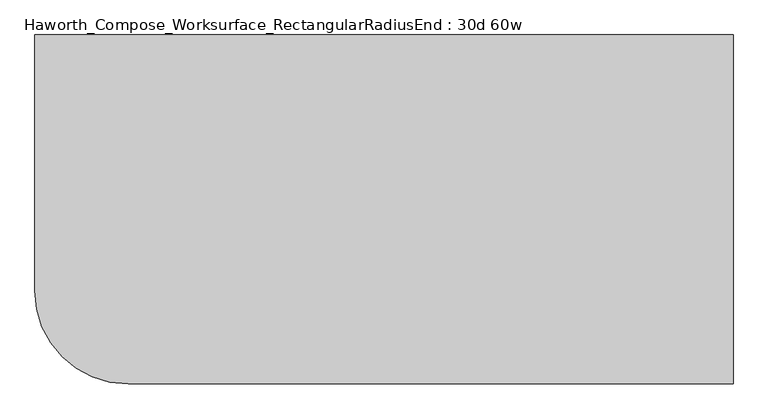
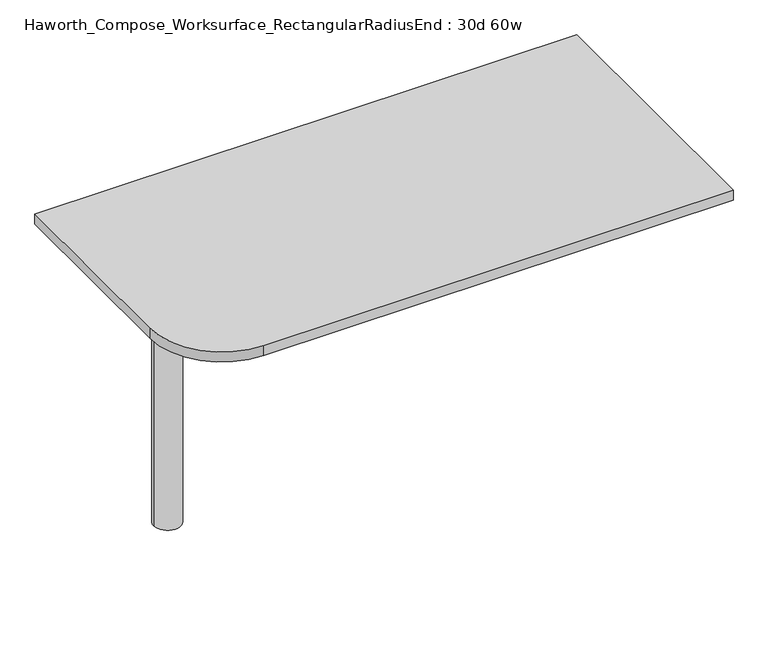
"""IFC4 building model written with IfcOpenShell, lengths in millimetres: furniture geometry, Haworth_Compose_Worksurface_RectangularRadiusEnd : 30d 60w."""

from ifc_helpers import new_model, si_unit, point, frame, frame_2d, origin, place, context, project, spatial, polyline, circle_curve, trimmed, segment, composite_curve, outline, extrude, source, transform, mapped, element, save
from ifc_brep_helpers import plane_surface, cylinder_surface, revolved_surface, advanced_brep


def haworth_compose_worksurface_rectangularradiusend_30d_60w_b5073756(model_context):
    return source(origin(), model_context, "Body", "SolidModel", [
        advanced_brep(
        [(756.44375, 381.0, 475.45625), (756.44375, 365.125, 475.45625), (756.44375, -25.4, 691.7192568), (756.44375, -25.4, 704.05625), (756.44375, 365.125, 704.05625), (756.44375, 381.0, 704.05625), (756.44375, 297.690072, 665.95625), (756.44375, 254.0355284, 665.95625), (756.44375, 251.3564235, 656.3705539), (756.44375, 343.0776173, 605.5776439), (756.44375, 352.425, 611.1756969), (756.44375, 352.425, 634.6860246), (756.44375, 350.6730055, 637.5242776), (756.44375, 300.7663437, 665.1613425), (758.825, 381.0, 475.45625), (758.825, 381.0, 704.05625), (758.825, 365.125, 704.05625), (758.825, 365.125, 706.4375), (758.825, -25.4, 706.4375), (758.825, -25.4, 691.7192568), (758.825, 365.125, 475.45625), (758.825, 297.690072, 665.95625), (758.825, 300.7663437, 665.1613425), (758.825, 350.6730055, 637.5242776), (758.825, 352.425, 634.6860246), (758.825, 352.425, 611.1756969), (758.825, 343.0776173, 605.5776439), (758.825, 251.3564235, 656.3705539), (758.825, 254.0355284, 665.95625), (717.55, -25.4, 706.4375), (717.55, -25.4, 704.05625), (717.55, 365.125, 704.05625), (717.55, 365.125, 706.4375)],
        [
            (0, 1),
            (1, 2),
            (2, 3),
            (3, 4),
            (4, 5),
            (5, 0),
            (6, 7),
            (7, 8, circle_curve(frame((756.44375, 254.0355284, 660.7890106), z_axis=(1.0, 0.0, 0.0), x_axis=(0.0, -1.0, 0.0)), 5.1672394)),
            (8, 9),
            (9, 10, circle_curve(frame((756.44375, 346.075, 611.1756969), z_axis=(1.0, 0.0, 0.0), x_axis=(0.0, -1.0, 0.0)), 6.35)),
            (10, 11),
            (11, 12, circle_curve(frame((756.44375, 349.25, 634.6860246), z_axis=(1.0, 0.0, 0.0), x_axis=(0.0, -1.0, 0.0)), 3.175)),
            (12, 13),
            (13, 6, circle_curve(frame((756.44375, 297.690072, 659.60625), z_axis=(1.0, 0.0, 0.0), x_axis=(0.0, -1.0, 0.0)), 6.35)),
            (14, 15),
            (15, 16),
            (16, 17),
            (17, 18),
            (18, 19),
            (19, 20),
            (20, 14),
            (21, 22, circle_curve(frame((758.825, 297.690072, 659.60625), z_axis=(-1.0, 0.0, 0.0), x_axis=(0.0, -1.0, 0.0)), 6.35)),
            (22, 23),
            (23, 24, circle_curve(frame((758.825, 349.25, 634.6860246), z_axis=(-1.0, 0.0, 0.0), x_axis=(0.0, -1.0, 0.0)), 3.175)),
            (24, 25),
            (25, 26, circle_curve(frame((758.825, 346.075, 611.1756969), z_axis=(-1.0, 0.0, 0.0), x_axis=(0.0, -1.0, 0.0)), 6.35)),
            (26, 27),
            (27, 28, circle_curve(frame((758.825, 254.0355284, 660.7890106), z_axis=(-1.0, 0.0, 0.0), x_axis=(0.0, -1.0, 0.0)), 5.1672394)),
            (28, 21),
            (4, 16),
            (15, 5),
            (14, 0),
            (20, 1),
            (19, 2),
            (18, 29),
            (29, 30),
            (30, 3),
            (6, 21),
            (28, 7),
            (9, 26),
            (25, 10),
            (24, 11),
            (23, 12),
            (27, 8),
            (31, 4),
            (30, 31),
            (32, 29),
            (17, 32),
            (31, 32),
            (22, 13),
        ],
        [
            plane_surface(frame((756.44375, 381.0, 475.45625), z_axis=(-1.0, 0.0, 0.0), x_axis=(0.0, 1.0, 0.0))),
            plane_surface(frame((758.825, 381.0, 475.45625), z_axis=(1.0, 0.0, 0.0), x_axis=(0.0, -1.0, 0.0))),
            plane_surface(frame((758.825, -25.4, 704.05625), z_axis=(0.0, 0.0, 1.0), x_axis=(-1.0, 0.0, 0.0))),
            plane_surface(frame((758.825, 381.0, 704.05625), z_axis=(0.0, 1.0, 0.0), x_axis=(-1.0, 0.0, 0.0))),
            plane_surface(frame((758.825, 381.0, 475.45625), z_axis=(0.0, 0.0, -1.0), x_axis=(-1.0, 0.0, 0.0))),
            plane_surface(frame((758.825, 365.125, 475.45625), z_axis=(0.0, -0.48445223513455843, -0.8748177135112952), x_axis=(-1.0, 0.0, 0.0))),
            plane_surface(frame((758.825, -25.4, 691.7192568), z_axis=(0.0, -1.0, 0.0), x_axis=(-1.0, 0.0, 0.0))),
            plane_surface(frame((758.825, 297.690072, 665.95625), z_axis=(0.0, 0.0, -1.0), x_axis=(-1.0, 0.0, 0.0))),
            revolved_surface(polyline([(756.44375, 339.72499999999997, 611.1756969), (758.825, 339.72499999999997, 611.1756969)]), (758.825, 346.075, 611.1756969), (-1.0, 0.0, 0.0)),
            plane_surface(frame((758.825, 352.425, 611.1756969), z_axis=(0.0, -1.0, 0.0), x_axis=(-1.0, 0.0, 0.0))),
            revolved_surface(polyline([(756.44375, 346.075, 634.6860246), (758.825, 346.075, 634.6860246)]), (758.825, 349.25, 634.6860246), (-1.0, 0.0, 0.0)),
            revolved_surface(polyline([(756.44375, 248.868289, 660.7890106), (758.825, 248.868289, 660.7890106)]), (758.825, 254.0355284, 660.7890106), (-1.0, 0.0, 0.0)),
            plane_surface(frame((758.825, 365.125, 704.05625), z_axis=(0.0, 0.0, -1.0), x_axis=(-1.0, 0.0, 0.0))),
            plane_surface(frame((758.825, 365.125, 706.4375), z_axis=(0.0, 0.0, 1.0), x_axis=(1.0, 0.0, 0.0))),
            plane_surface(frame((717.55, 365.125, 706.4375), z_axis=(0.0, 1.0, 0.0), x_axis=(0.0, 0.0, -1.0))),
            plane_surface(frame((717.55, -25.4, 706.4375), z_axis=(-1.0, 0.0, 0.0), x_axis=(0.0, 0.0, -1.0))),
            plane_surface(frame((758.825, 251.3564235, 656.3705539), z_axis=(0.0, 0.4844522351345583, 0.8748177135112953), x_axis=(-1.0, 0.0, 0.0))),
            plane_surface(frame((758.825, 350.6730055, 637.5242776), z_axis=(0.0, -0.4844522351345582, -0.8748177135112953), x_axis=(-1.0, 0.0, 0.0))),
            revolved_surface(polyline([(756.44375, 291.34007199999996, 659.60625), (758.825, 291.34007199999996, 659.60625)]), (758.825, 297.690072, 659.60625), (-1.0, 0.0, 0.0)),
        ],
        [
            (0, [[1, 2, 3, 4, 5, 6], [7, 8, 9, 10, 11, 12, 13, 14]]),
            (1, [[15, 16, 17, 18, 19, 20, 21], [22, 23, 24, 25, 26, 27, 28, 29]]),
            (2, [[-5, 30, -16, 31]]),
            (3, [[-31, -15, 32, -6]]),
            (4, [[-32, -21, 33, -1]]),
            (5, [[-33, -20, 34, -2]]),
            (6, [[-34, -19, 35, 36, 37, -3]]),
            (7, [[38, -29, 39, -7]]),
            (8, [[40, -26, 41, -10]]),
            (9, [[-41, -25, 42, -11]]),
            (10, [[-42, -24, 43, -12]]),
            (11, [[-39, -28, 44, -8]]),
            (12, [[45, -4, -37, 46]]),
            (13, [[47, -35, -18, 48]]),
            (14, [[-17, -30, -45, 49, -48]]),
            (15, [[-36, -47, -49, -46]]),
            (16, [[-44, -27, -40, -9]]),
            (17, [[-43, -23, 50, -13]]),
            (18, [[-50, -22, -38, -14]]),
        ],
    ),
        advanced_brep(
        [(-571.5, 0.0, 706.4375), (-647.7, 0.0, 706.4375), (-609.6, 0.0, 706.4375), (-571.5, 0.0, 0.0), (-647.7, 0.0, 0.0), (-609.6, 0.0, 0.0)],
        [
            (0, 1, circle_curve(frame((-609.6, 0.0, 706.4375), z_axis=(0.0, 0.0, 1.0), x_axis=(-1.0, 0.0, 0.0)), 38.1)),
            (1, 2),
            (2, 0),
            (1, 0, circle_curve(frame((-609.6, 0.0, 706.4375), z_axis=(0.0, 0.0, 1.0), x_axis=(-1.0, 0.0, 0.0)), 38.1)),
            (3, 4, circle_curve(frame((-609.6, 0.0, 0.0), z_axis=(0.0, 0.0, 1.0), x_axis=(-1.0, 0.0, 0.0)), 38.1)),
            (4, 1),
            (0, 3),
            (4, 3, circle_curve(frame((-609.6, 0.0, 0.0), z_axis=(0.0, 0.0, 1.0), x_axis=(-1.0, 0.0, 0.0)), 38.1)),
            (5, 4),
            (3, 5),
        ],
        [
            plane_surface(frame((-609.6, 0.0, 706.4375), z_axis=(0.0, 0.0, 1.0), x_axis=(-1.0, 0.0, 0.0))),
            cylinder_surface(frame((-609.6, 0.0, 889.623257), z_axis=(0.0, 0.0, -1.0), x_axis=(-1.0, 0.0, 0.0)), 38.1),
            plane_surface(frame((-609.6, 0.0, 0.0), z_axis=(0.0, 0.0, -1.0), x_axis=(-1.0, 0.0, 0.0))),
        ],
        [
            (0, [[1, 2, 3]]),
            (0, [[4, -3, -2]]),
            (1, [[5, 6, -1, 7]]),
            (1, [[8, -7, -4, -6]]),
            (2, [[9, -5, 10]]),
            (2, [[-10, -8, -9]]),
        ],
    ),
        extrude(outline(composite_curve([segment(polyline([(762.0, 381.0), (762.0, -381.0), (-558.8, -381.0)]), True, "CONTINUOUS"), segment(trimmed(circle_curve(frame_2d((-558.8, -177.8)), 203.2), [point((-558.8, -381.0))], [point((-762.0, -177.8))], False, "CARTESIAN"), True, "CONTINUOUS"), segment(polyline([(-762.0, -177.8), (-762.0, 381.0), (762.0, 381.0)]), True, "CONTINUOUS")], self_intersect=False)), frame((0.0, 0.0, 706.4375), z_axis=(0.0, 0.0, 1.0), x_axis=(1.0, 0.0, 0.0)), (0.0, 0.0, 1.0), 30.1625),
    ])


if __name__ == "__main__":
    model = new_model("IFC4")
    model_context = context("Model", 3, world=origin())
    ifc_project = project(units=[si_unit("LENGTHUNIT", "METRE", prefix="MILLI")], contexts=[model_context])
    site = spatial("IfcSite", under=ifc_project)
    building = spatial("IfcBuilding", under=site)
    placement = place(None, origin())
    haworth_compose_worksurface_rectangularradiusend_30d_60w_shape = haworth_compose_worksurface_rectangularradiusend_30d_60w_b5073756(model_context)
    element("IfcFurniture", 1, ObjectType="Haworth_Compose_Worksurface_RectangularRadiusEnd : 30d 60w", at=placement, inside=building, context=model_context, shape_type="MappedRepresentation", body=[
        mapped(haworth_compose_worksurface_rectangularradiusend_30d_60w_shape, transform((0.0, 0.0, 0.0), x_axis=(1.0, 0.0, 0.0), y_axis=(0.0, 1.0, 0.0), z_axis=(0.0, 0.0, 1.0))),
    ])
    save(model, "model.ifc")
